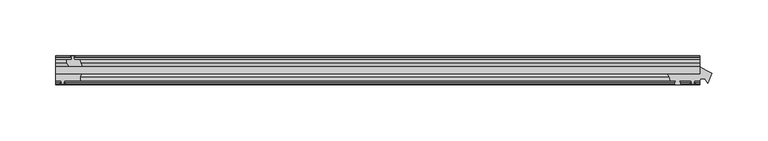
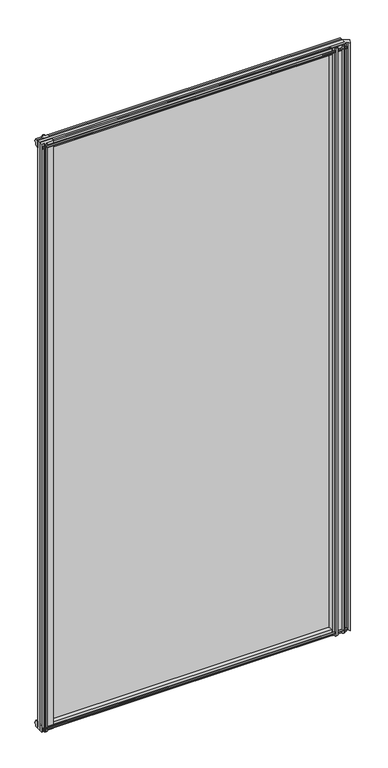
"""IFC4 building model written with IfcOpenShell, lengths in millimetres: plate geometry."""

import ifcopenshell
import ifcopenshell.guid

model = None  # the IFC model being written
_history = None  # IfcOwnerHistory: only IFC2X3 demands one
_inside = {}  # id of a spatial element -> (the spatial element, [elements in it])
_under = {}  # id of a project, library or spatial element -> (it, [spatial elements below it])
_declared = {}  # id of a project -> (the project, [libraries it declares])
_typed = {}  # id of a type object -> (the type object, [elements of that type])
_made_of = {}  # id of a material, layer set ... -> (it, [elements and type objects made of it])


def new_model(schema):
    """Start an empty IFC model of exactly this schema.

    Asked for "IFC4X3", IfcOpenShell would pick the latest addendum, in which some entities
    have other attributes; the version numbers below select the first issue.
    IFC2X3 requires an IfcOwnerHistory on every rooted entity: one is made here for all.
    """
    global model, _history
    if schema == "IFC4X3":
        model = ifcopenshell.file(schema_version=(4, 3, 0, 0))
    else:
        model = ifcopenshell.file(schema=schema)
    _inside.clear()
    _under.clear()
    _declared.clear()
    _typed.clear()
    _made_of.clear()
    _history = None
    if model.schema == "IFC2X3":
        org = make("IfcOrganization", Name="unknown")
        user = make(
            "IfcPersonAndOrganization",
            ThePerson=make("IfcPerson", FamilyName="unknown"),
            TheOrganization=org,
        )
        app = make(
            "IfcApplication",
            ApplicationDeveloper=org,
            Version="unknown",
            ApplicationFullName="unknown",
            ApplicationIdentifier="unknown",
        )
        _history = make(
            "IfcOwnerHistory",
            OwningUser=user,
            OwningApplication=app,
            ChangeAction="ADDED",
            CreationDate=0,
        )
    return model


def make(cls, **values):
    """One entity of the class cls with the attributes given. An attribute that is None is left unset."""
    return model.create_entity(
        cls, **{name: value for name, value in values.items() if value is not None}
    )


def rooted(cls, **values):
    """An entity with a GlobalId (a new one), such as an element, a storey or a relation."""
    return make(cls, GlobalId=ifcopenshell.guid.new(), OwnerHistory=_history, **values)


def si_unit(unit_type, name, prefix=None):
    """IfcSIUnit, for example si_unit("LENGTHUNIT", "METRE", prefix="MILLI")."""
    return make("IfcSIUnit", UnitType=unit_type, Prefix=prefix, Name=name)


def assignment(units):
    """IfcUnitAssignment: the units of a project."""
    return None if units is None else make("IfcUnitAssignment", Units=units)


def point(xyz):
    """IfcCartesianPoint."""
    return None if xyz is None else make("IfcCartesianPoint", Coordinates=xyz)


def direction(xyz):
    """IfcDirection."""
    return None if xyz is None else make("IfcDirection", DirectionRatios=xyz)


def frame(location, z_axis=None, x_axis=None):
    """IfcAxis2Placement3D, a coordinate frame: its origin and axes. An axis left out is left unset."""
    return make(
        "IfcAxis2Placement3D",
        Location=point(location),
        Axis=direction(z_axis),
        RefDirection=direction(x_axis),
    )


def frame_2d(location, x_axis=None):
    """IfcAxis2Placement2D, a coordinate frame in the plane: its origin and x axis."""
    return make(
        "IfcAxis2Placement2D", Location=point(location), RefDirection=direction(x_axis)
    )


def origin():
    """The frame at (0, 0, 0) with its axes left unset."""
    return frame((0.0, 0.0, 0.0))


def place(relative_to, where):
    """IfcLocalPlacement: puts the frame where relative to a parent placement (None: the world)."""
    return make(
        "IfcLocalPlacement", PlacementRelTo=relative_to, RelativePlacement=where
    )


def context(
    kind, dimensions, precision=None, world=None, true_north=None, identifier=None
):
    """IfcGeometricRepresentationContext, for example the 3D "Model" context."""
    return make(
        "IfcGeometricRepresentationContext",
        ContextIdentifier=identifier,
        ContextType=kind,
        CoordinateSpaceDimension=dimensions,
        Precision=precision,
        WorldCoordinateSystem=world,
        TrueNorth=true_north,
    )


def project(units=None, contexts=None):
    """IfcProject with its units and contexts."""
    return rooted(
        "IfcProject",
        Name="project",
        RepresentationContexts=contexts,
        UnitsInContext=assignment(units),
    )


def spatial(cls, under=None, at=None, **own):
    """A site, building, storey or space (cls), placed at a placement, below another one or the project."""
    s = rooted(cls, ObjectPlacement=at, **own)
    if under is not None:
        _under.setdefault(under.id(), (under, []))[1].append(s)
    return s


def polyline(points):
    """IfcPolyline through the points."""
    return make("IfcPolyline", Points=[point(p) for p in points])


def circle_curve(where, radius):
    """IfcCircle in the frame where."""
    return make("IfcCircle", Position=where, Radius=radius)


def trimmed(basis, trim1, trim2, sense, master):
    """IfcTrimmedCurve: the piece of a basis curve between two trims."""
    return make(
        "IfcTrimmedCurve",
        BasisCurve=basis,
        Trim1=trim1,
        Trim2=trim2,
        SenseAgreement=sense,
        MasterRepresentation=master,
    )


def segment(curve, same_sense, transition):
    """IfcCompositeCurveSegment."""
    return make(
        "IfcCompositeCurveSegment",
        Transition=transition,
        SameSense=same_sense,
        ParentCurve=curve,
    )


def composite_curve(segments, self_intersect=None):
    """IfcCompositeCurve: segments joined end to end."""
    return make("IfcCompositeCurve", Segments=segments, SelfIntersect=self_intersect)


def outline(outer, holes=None, kind="AREA"):
    """IfcArbitraryClosedProfileDef: a profile drawn as a closed curve; with holes, ...WithVoids."""
    if holes is None:
        return make("IfcArbitraryClosedProfileDef", ProfileType=kind, OuterCurve=outer)
    return make(
        "IfcArbitraryProfileDefWithVoids",
        ProfileType=kind,
        OuterCurve=outer,
        InnerCurves=holes,
    )


def extrude(swept, where, along, depth):
    """IfcExtrudedAreaSolid: the profile swept, set in the frame where, extruded along a direction by depth."""
    return make(
        "IfcExtrudedAreaSolid",
        SweptArea=swept,
        Position=where,
        ExtrudedDirection=direction(along),
        Depth=depth,
    )


def shape(context_of_items, identifier, shape_type, items):
    """IfcShapeRepresentation: the items that make up one representation, for example the "Body"."""
    return make(
        "IfcShapeRepresentation",
        ContextOfItems=context_of_items,
        RepresentationIdentifier=identifier,
        RepresentationType=shape_type,
        Items=items,
    )


def source(mapping_origin, context_of_items, identifier, shape_type, items):
    """IfcRepresentationMap: a shape defined once, which mapped items show again and again."""
    return make(
        "IfcRepresentationMap",
        MappingOrigin=mapping_origin,
        MappedRepresentation=shape(context_of_items, identifier, shape_type, items),
    )


def transform(
    local_origin,
    x_axis=None,
    y_axis=None,
    z_axis=None,
    scale=None,
    scale2=None,
    scale3=None,
    uniform=True,
):
    """IfcCartesianTransformationOperator3D, or its non-uniform kind. x_axis, y_axis, z_axis: its Axis1, 2, 3."""
    if uniform:
        return make(
            "IfcCartesianTransformationOperator3D",
            Axis1=direction(x_axis),
            Axis2=direction(y_axis),
            LocalOrigin=point(local_origin),
            Scale=scale,
            Axis3=direction(z_axis),
        )
    return make(
        "IfcCartesianTransformationOperator3DnonUniform",
        Axis1=direction(x_axis),
        Axis2=direction(y_axis),
        LocalOrigin=point(local_origin),
        Scale=scale,
        Axis3=direction(z_axis),
        Scale2=scale2,
        Scale3=scale3,
    )


def mapped(mapping_source, mapping_target):
    """IfcMappedItem: shows the shape of a source again, moved by a transform."""
    return make(
        "IfcMappedItem", MappingSource=mapping_source, MappingTarget=mapping_target
    )


def made_of(thing, what):
    """Note that an element or type object is made of a material, layer set ...; save() writes the relation."""
    if what is not None:
        _made_of.setdefault(what.id(), (what, []))[1].append(thing)
    return thing


def element(
    cls,
    number,
    at=None,
    inside=None,
    cuts=None,
    type_object=None,
    material=None,
    context=None,
    identifier="Body",
    shape_type=None,
    held_by="IfcProductDefinitionShape",
    body=None,
    shapes=None,
    **own,
):
    """One element of the class cls, such as IfcWall. Its Tag is "e" and its number.

    at: its placement. inside: the storey or other place that contains it. cuts: it is an
    opening in that element (IfcRelVoidsElement). A single representation is given by context,
    identifier, shape_type and body (its items); several are given by shapes. held_by: the class
    of the entity that holds the representations. save() writes the other relations.
    """
    e = rooted(cls, Tag="e%d" % number, ObjectPlacement=at, **own)
    if body is not None:
        shapes = [shape(context, identifier, shape_type, body)]
    if shapes is not None:
        e.Representation = make(held_by, Representations=shapes)
    if inside is not None:
        _inside.setdefault(inside.id(), (inside, []))[1].append(e)
    if cuts is not None:
        rooted(
            "IfcRelVoidsElement", RelatingBuildingElement=cuts, RelatedOpeningElement=e
        )
    if type_object is not None:
        _typed.setdefault(type_object.id(), (type_object, []))[1].append(e)
    return made_of(e, material)


def aggregate(whole, parts):
    """IfcRelAggregates: a whole, such as a stair, and the parts it consists of."""
    return rooted("IfcRelAggregates", RelatingObject=whole, RelatedObjects=parts)


def save(model, path):
    """Write the relations noted so far, then the file.

    IfcRelAggregates (storeys below a building ...), IfcRelContainedInSpatialStructure (elements
    in a storey), IfcRelDefinesByType, IfcRelAssociatesMaterial and IfcRelDeclares: one each for
    every whole, place, type object, material and project.
    """
    for whole, parts in _under.values():
        aggregate(whole, parts)
    for where, things in _inside.values():
        rooted(
            "IfcRelContainedInSpatialStructure",
            RelatedElements=things,
            RelatingStructure=where,
        )
    for kind, things in _typed.values():
        rooted("IfcRelDefinesByType", RelatedObjects=things, RelatingType=kind)
    for what, things in _made_of.values():
        rooted("IfcRelAssociatesMaterial", RelatedObjects=things, RelatingMaterial=what)
    for by, libraries in _declared.values():
        rooted("IfcRelDeclares", RelatingContext=by, RelatedDefinitions=libraries)
    model.write(path)


def plate_987095df(model_context):
    return source(origin(), model_context, "Body", "SweptSolid", [
        extrude(outline(polyline([(-311.15, -19.5460937), (267.3945313, -19.5460937), (267.3945313, -25.8960937), (-311.15, -25.8960937), (-311.15, -19.5460937)])), frame((0.0, 0.0, -12.7), z_axis=(0.0, 0.0, 1.0), x_axis=(1.0, 0.0, 0.0)), (0.0, 0.0, 1.0), 1181.1),
        extrude(outline(composite_curve([segment(polyline([(237.6057169, -25.8960938), (267.4410747, -25.8960938), (267.4410747, -19.5460937)]), True, "CONTINUOUS"), segment(trimmed(circle_curve(frame_2d((296.6243476, 19.1383188)), 48.4576846), [point((267.4410747, -19.5460937))], [point((278.0733986, -25.6278457))], True, "CARTESIAN"), True, "CONTINUOUS"), segment(polyline([(278.0733986, -25.6278457), (274.3855131, -34.5272548), (271.9754518, -30.3775881), (268.2585763, -30.3775881), (267.4410747, -32.2460938), (262.3610747, -32.2460938), (262.0435747, -34.3506957), (263.2621806, -34.0241712), (263.2621806, -34.8393477), (261.0910747, -35.4210938), (258.9199688, -34.8393477), (258.9199688, -34.0241712), (260.1385747, -34.3506957), (259.8210747, -32.2460938), (249.4324747, -32.2460938)]), True, "CONTINUOUS"), segment(trimmed(circle_curve(frame_2d((249.4324747, -32.7032938)), 0.4572), [point((249.4324747, -32.2460938))], [point((249.0936568, -33.0102698))], True, "CARTESIAN"), True, "CONTINUOUS"), segment(trimmed(circle_curve(frame_2d((247.3242747, -34.613367)), 2.3876), [point((249.0936568, -33.0102698))], [point((249.3949177, -35.8020937))], False, "CARTESIAN"), True, "CONTINUOUS"), segment(polyline([(249.3949177, -35.8020937), (245.2536317, -35.8020938)]), True, "CONTINUOUS"), segment(trimmed(circle_curve(frame_2d((247.3242747, -34.613367)), 2.3876), [point((245.2536317, -35.8020938))], [point((245.5548925, -33.0102698))], False, "CARTESIAN"), True, "CONTINUOUS"), segment(trimmed(circle_curve(frame_2d((245.2160747, -32.7032938)), 0.4572), [point((245.5548925, -33.0102698))], [point((245.2160747, -32.2460938))], True, "CARTESIAN"), True, "CONTINUOUS"), segment(polyline([(245.2160747, -32.2460938), (240.9742747, -32.2460938)]), True, "CONTINUOUS"), segment(trimmed(circle_curve(frame_2d((229.9374273, -34.0324587)), 11.1804786), [point((240.9742747, -32.2460938))], [point((237.6057169, -25.8960938))], True, "CARTESIAN"), True, "CONTINUOUS")], self_intersect=False)), frame((0.0, 0.0, -12.7), z_axis=(0.0, 0.0, 1.0), x_axis=(1.0, 0.0, 0.0)), (0.0, 0.0, 1.0), 1181.1),
        extrude(outline(composite_curve([segment(polyline([(-311.1542854, -32.2460937), (-311.1542854, -25.8960937), (-287.8322351, -25.8960937)]), True, "CONTINUOUS"), segment(trimmed(circle_curve(frame_2d((-280.043449, -30.5054843)), 9.0505066), [point((-287.8322351, -25.8960937))], [point((-288.925, -32.2460937))], True, "CARTESIAN"), True, "CONTINUOUS"), segment(polyline([(-288.925, -32.2460937), (-303.5342854, -32.2460937), (-303.8517854, -34.3506957), (-302.6331795, -34.0241712), (-302.4293854, -34.7847412), (-304.8042854, -35.4210937), (-307.1791854, -34.7847412), (-306.9753913, -34.0241712), (-305.7567854, -34.3506957), (-306.0742854, -32.2460937), (-311.1542854, -32.2460937)]), True, "CONTINUOUS")], self_intersect=False)), frame((0.0, 0.0, -12.7), z_axis=(0.0, 0.0, 1.0), x_axis=(1.0, 0.0, 0.0)), (0.0, 0.0, 1.0), 1181.1),
        extrude(outline(polyline([(-296.5577, -10.8158968), (-297.973229, -11.27583), (-297.973229, -10.4746158), (-295.7957, -9.7670937), (-293.6181709, -10.4746158), (-293.6181709, -11.27583), (-295.0337, -10.8158968), (-294.6527, -13.1960937), (-289.4457, -13.1960937), (-287.3404229, -19.5460937), (-299.1710038, -19.5460937), (-301.3837, -16.1424937), (-301.3837, -13.1960937), (-296.9387, -13.1960937), (-296.5577, -10.8158968)])), frame((0.0, 0.0, -12.7), z_axis=(0.0, 0.0, 1.0), x_axis=(1.0, 0.0, 0.0)), (0.0, 0.0, 1.0), 1181.1),
        extrude(outline(polyline([(-13.1960937, 1168.1587), (-13.1960937, 1163.7137), (-10.8158968, 1163.3327), (-11.27583, 1164.7482291), (-10.4746158, 1164.7482291), (-9.7670937, 1162.5707), (-10.4746158, 1160.393171), (-11.27583, 1160.393171), (-10.8158968, 1161.8087), (-13.1960937, 1161.4277), (-13.1960937, 1156.2207), (-19.5460937, 1154.115423), (-19.5460937, 1165.9460038), (-16.1424937, 1168.1587), (-13.1960937, 1168.1587)])), frame((-311.15, 0.0, 0.0), z_axis=(1.0, 0.0, 0.0), x_axis=(0.0, 1.0, 0.0)), (0.0, 0.0, 1.0), 578.5445313),
        extrude(outline(polyline([(-29.2996937, 1167.638), (-25.8960937, 1165.4253038), (-25.8960937, 1153.594723), (-32.2460937, 1155.7), (-32.2460937, 1160.907), (-34.6262907, 1161.288), (-34.1663575, 1159.872471), (-34.9675717, 1159.872471), (-35.6750937, 1162.05), (-34.9675717, 1164.2275291), (-34.1663575, 1164.2275291), (-34.6262907, 1162.812), (-32.2460937, 1163.193), (-32.2460937, 1167.638), (-29.2996937, 1167.638)])), frame((-311.15, 0.0, 0.0), z_axis=(1.0, 0.0, 0.0), x_axis=(0.0, 1.0, 0.0)), (0.0, 0.0, 1.0), 578.5445313),
        extrude(outline(polyline([(-25.8960937, 2.1052771), (-25.8960937, -9.7253038), (-29.2996937, -11.938), (-32.2460937, -11.938), (-32.2460937, -7.493), (-34.6262907, -7.112), (-34.1663575, -8.5275291), (-34.9675717, -8.5275291), (-35.6750937, -6.35), (-34.9675717, -4.1724709), (-34.1663575, -4.1724709), (-34.6262907, -5.588), (-32.2460937, -5.207), (-32.2460937, 0.0), (-25.8960937, 2.1052771)])), frame((-311.15, 0.0, 0.0), z_axis=(1.0, 0.0, 0.0), x_axis=(0.0, 1.0, 0.0)), (0.0, 0.0, 1.0), 578.5445313),
        extrude(outline(polyline([(-19.5460937, 1.5845771), (-13.1960937, -0.5207), (-13.1960937, -5.7277), (-10.8158968, -6.1087), (-11.27583, -4.6931709), (-10.4746158, -4.6931709), (-9.7670937, -6.8707), (-10.4746158, -9.048229), (-11.27583, -9.048229), (-10.8158968, -7.6327), (-13.1960937, -8.0137), (-13.1960937, -12.4587), (-16.1424937, -12.4587), (-19.5460937, -10.2460038), (-19.5460937, 1.5845771)])), frame((-311.15, 0.0, 0.0), z_axis=(1.0, 0.0, 0.0), x_axis=(0.0, 1.0, 0.0)), (0.0, 0.0, 1.0), 578.5445313),
    ])


if __name__ == "__main__":
    model = new_model("IFC4")
    model_context = context("Model", 3, world=origin())
    ifc_project = project(units=[si_unit("LENGTHUNIT", "METRE", prefix="MILLI")], contexts=[model_context])
    site = spatial("IfcSite", under=ifc_project)
    building = spatial("IfcBuilding", under=site)
    placement = place(None, origin())
    plate_shape = plate_987095df(model_context)
    element("IfcPlate", 1, at=placement, inside=building, context=model_context, shape_type="MappedRepresentation", body=[
        mapped(plate_shape, transform((0.0, 0.0, 0.0), x_axis=(1.0, 0.0, 0.0), y_axis=(0.0, 1.0, 0.0), z_axis=(0.0, 0.0, 1.0))),
    ])
    save(model, "model.ifc")
